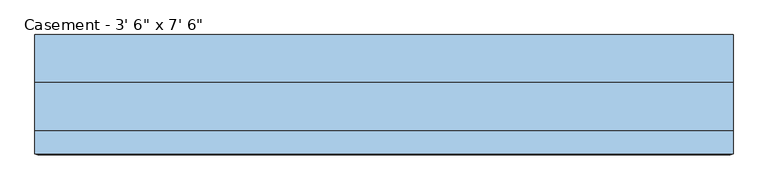
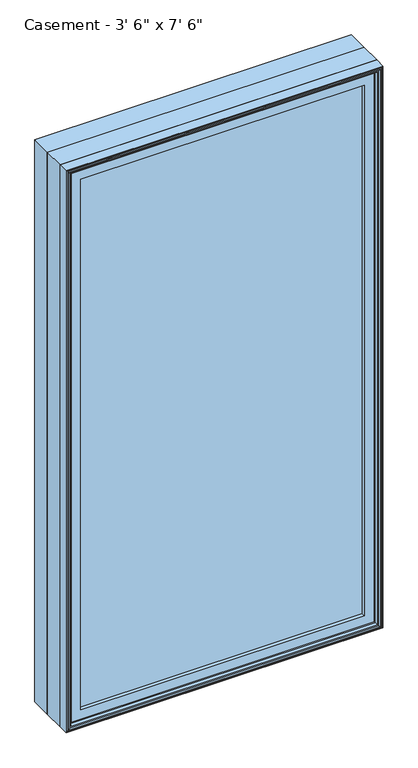
"""IFC4 building model written with IfcOpenShell, lengths in millimetres: window geometry."""

from ifc_helpers import new_model, si_unit, frame, origin, place, context, project, spatial, polyline, outline, extrude, faceted_brep, source, transform, mapped, element, save


def window_fd31e3d8(model_context):
    return source(origin(), model_context, "Body", "SolidModel", [
        extrude(outline(polyline([(557.609375, -74.0770729), (557.609375, -91.5395729), (-557.5849783, -91.5395729), (-557.5849783, -74.0770729), (557.609375, -74.0770729)])), frame((0.0, 0.0, 971.5119), z_axis=(0.0, 0.0, 1.0), x_axis=(1.0, 0.0, 0.0)), (0.0, 0.0, 1.0), 2171.7762),
        extrude(outline(polyline([(3200.4, -609.6), (914.4, -609.6), (914.4, 609.6), (3200.4, 609.6), (3200.4, -609.6)]), holes=[polyline([(930.275, -593.725), (3184.525, -593.725), (3184.525, 593.725), (930.275, 593.725), (930.275, -593.725)])]), frame((0.0, 6.1515625, 0.0), z_axis=(0.0, 1.0, 0.0), x_axis=(0.0, 0.0, 1.0)), (0.0, 0.0, 1.0), 82.7484375),
        faceted_brep([(-557.5849783, -74.0770729, 966.4150217), (-557.5849783, -74.0770729, 3148.3849783), (-557.5849783, -91.5395729, 3148.3849783), (-557.5849783, -91.5395729, 966.4150217), (-545.9015625, -72.8793953, 978.0984375), (-545.9015625, -72.8793953, 3136.7015625), (-545.9015625, -74.0770729, 3136.7015625), (-545.9015625, -74.0770729, 978.0984375), (-548.6498111, -59.9499024, 975.3501889), (-548.6498111, -59.9499024, 3139.4498111), (-576.6341084, -91.5395729, 947.3658916), (-576.6341084, -91.5395729, 3167.4341084), (-576.6341084, -59.9499024, 3167.4341084), (-576.6341084, -59.9499024, 947.3658916), (557.5849783, -74.0770729, 3148.3849783), (557.5849783, -91.5395729, 3148.3849783), (545.9015625, -72.8793953, 3136.7015625), (545.9015625, -74.0770729, 3136.7015625), (548.6498111, -59.9499024, 3139.4498111), (576.6341084, -91.5395729, 3167.4341084), (576.6341084, -59.9499024, 3167.4341084), (557.5849783, -74.0770729, 966.4150217), (557.5849783, -91.5395729, 966.4150217), (545.9015625, -72.8793953, 978.0984375), (545.9015625, -74.0770729, 978.0984375), (548.6498111, -59.9499024, 975.3501889), (576.6341084, -91.5395729, 947.3658916), (576.6341084, -59.9499024, 947.3658916)], [[[0, 1, 2, 3]], [[4, 5, 6, 7]], [[8, 9, 5, 4]], [[10, 11, 12, 13]], [[1, 14, 15, 2]], [[5, 16, 17, 6]], [[9, 18, 16, 5]], [[11, 19, 20, 12]], [[14, 21, 22, 15]], [[16, 23, 24, 17]], [[18, 25, 23, 16]], [[19, 26, 27, 20]], [[11, 10, 26, 19], [3, 2, 15, 22]], [[21, 0, 3, 22]], [[1, 0, 21, 14], [7, 6, 17, 24]], [[23, 4, 7, 24]], [[25, 8, 4, 23]], [[13, 12, 20, 27], [9, 8, 25, 18]], [[26, 10, 13, 27]]]),
        extrude(outline(polyline([(3173.5033048, -582.7033048), (941.2966952, -582.7033048), (941.2966952, 582.7033048), (3173.5033048, 582.7033048), (3173.5033048, -582.7033048)]), holes=[polyline([(978.0984375, -545.9015625), (3136.7015625, -545.9015625), (3136.7015625, 545.9015625), (978.0984375, 545.9015625), (978.0984375, -545.9015625)])]), frame((0.0, -106.9883505, 0.0), z_axis=(0.0, 1.0, 0.0), x_axis=(0.0, 0.0, 1.0)), (0.0, 0.0, 1.0), 15.4487776),
        faceted_brep([(-595.0220166, -119.2736375, 928.9779834), (-595.0220166, -119.2736375, 3185.8220166), (-600.355345, -120.8484375, 3191.155345), (-600.355345, -120.8484375, 923.644655), (-590.1526868, -104.4927591, 933.8473132), (-590.1526868, -104.4927591, 3180.9526868), (-590.1526868, -119.2736375, 3180.9526868), (-590.1526868, -119.2736375, 933.8473132), (-588.9244, -90.3195591, 935.0756), (-588.9244, -90.3195591, 3179.7244), (-588.9244, -79.171779, 935.0756), (-588.9244, -79.171779, 3179.7244), (-609.6, -119.6932773, 914.4), (-609.6, -119.6932773, 3200.4), (-609.6, -79.171779, 3200.4), (-609.6, -79.171779, 914.4), (-607.314, -111.1241649, 916.686), (-607.314, -111.1241649, 3198.114), (-607.314, -119.6932773, 3198.114), (-607.314, -119.6932773, 916.686), (-604.5962, -120.8484375, 919.4038), (-604.5962, -120.8484375, 3195.3962), (-604.5962, -111.1241649, 3195.3962), (-604.5962, -111.1241649, 919.4038), (595.0220166, -119.2736375, 3185.8220166), (600.355345, -120.8484375, 3191.155345), (590.1526868, -104.4927591, 3180.9526868), (590.1526868, -119.2736375, 3180.9526868), (588.9244, -90.3195591, 3179.7244), (588.9244, -79.171779, 3179.7244), (609.6, -119.6932773, 3200.4), (609.6, -79.171779, 3200.4), (607.314, -111.1241649, 3198.114), (607.314, -119.6932773, 3198.114), (604.5962, -120.8484375, 3195.3962), (604.5962, -111.1241649, 3195.3962), (595.0220166, -119.2736375, 928.9779834), (600.355345, -120.8484375, 923.644655), (590.1526868, -104.4927591, 933.8473132), (590.1526868, -119.2736375, 933.8473132), (588.9244, -90.3195591, 935.0756), (588.9244, -79.171779, 935.0756), (609.6, -119.6932773, 914.4), (609.6, -79.171779, 914.4), (607.314, -111.1241649, 916.686), (607.314, -119.6932773, 916.686), (604.5962, -120.8484375, 919.4038), (604.5962, -111.1241649, 919.4038)], [[[0, 1, 2, 3]], [[4, 5, 6, 7]], [[8, 9, 5, 4]], [[10, 11, 9, 8]], [[12, 13, 14, 15]], [[16, 17, 18, 19]], [[20, 21, 22, 23]], [[1, 24, 25, 2]], [[5, 26, 27, 6]], [[9, 28, 26, 5]], [[11, 29, 28, 9]], [[13, 30, 31, 14]], [[17, 32, 33, 18]], [[21, 34, 35, 22]], [[24, 36, 37, 25]], [[26, 38, 39, 27]], [[28, 40, 38, 26]], [[29, 41, 40, 28]], [[30, 42, 43, 31]], [[32, 44, 45, 33]], [[34, 46, 47, 35]], [[36, 0, 3, 37]], [[1, 0, 36, 24], [7, 6, 27, 39]], [[38, 4, 7, 39]], [[40, 8, 4, 38]], [[41, 10, 8, 40]], [[15, 14, 31, 43], [11, 10, 41, 29]], [[42, 12, 15, 43]], [[13, 12, 42, 30], [19, 18, 33, 45]], [[44, 16, 19, 45]], [[17, 16, 44, 32], [23, 22, 35, 47]], [[46, 20, 23, 47]], [[21, 20, 46, 34], [3, 2, 25, 37]]]),
        faceted_brep([(-609.6, -79.171779, 914.4), (-609.6, -79.171779, 3200.4), (-609.6, 6.1515625, 3200.4), (-609.6, 6.1515625, 914.4), (-589.9404, -66.7563278, 934.0596), (-589.9404, -66.7563278, 3180.7404), (-589.9404, -79.171779, 3180.7404), (-589.9404, -79.171779, 934.0596), (-583.4634, -59.7093984, 940.5366), (-583.4634, -59.7093984, 3174.2634), (-583.4634, -66.7563278, 3174.2634), (-583.4634, -66.7563278, 940.5366), (-561.975, -39.9279649, 962.025), (-561.975, -39.9279649, 3152.775), (-561.975, -59.7093984, 3152.775), (-561.975, -59.7093984, 962.025), (-565.9374, -10.9227338, 958.0626), (-565.9374, -10.9227338, 3156.7374), (-565.9374, -39.9279649, 3156.7374), (-565.9374, -39.9279649, 958.0626), (609.6, -79.171779, 3200.4), (609.6, 6.1515625, 3200.4), (589.9404, -66.7563278, 3180.7404), (589.9404, -79.171779, 3180.7404), (583.4634, -59.7093984, 3174.2634), (583.4634, -66.7563278, 3174.2634), (561.975, -39.9279649, 3152.775), (561.975, -59.7093984, 3152.775), (565.9374, -10.9227338, 3156.7374), (565.9374, -39.9279649, 3156.7374), (609.6, -79.171779, 914.4), (609.6, 6.1515625, 914.4), (589.9404, -66.7563278, 934.0596), (589.9404, -79.171779, 934.0596), (583.4634, -59.7093984, 940.5366), (583.4634, -66.7563278, 940.5366), (561.975, -39.9279649, 962.025), (561.975, -59.7093984, 962.025), (565.9374, -10.9227338, 958.0626), (565.9374, -39.9279649, 958.0626), (-587.3761112, 6.1515625, 3178.1761112), (-587.3761112, 6.1515625, 936.6238888), (587.3761112, 6.1515625, 936.6238888), (587.3761112, 6.1515625, 3178.1761112), (-587.3761112, -10.9227338, 936.6238888), (-587.3761112, -10.9227338, 3178.1761112), (587.3761112, -10.9227338, 3178.1761112), (587.3761112, -10.9227338, 936.6238888)], [[[0, 1, 2, 3]], [[4, 5, 6, 7]], [[8, 9, 10, 11]], [[12, 13, 14, 15]], [[16, 17, 18, 19]], [[1, 20, 21, 2]], [[5, 22, 23, 6]], [[9, 24, 25, 10]], [[13, 26, 27, 14]], [[17, 28, 29, 18]], [[20, 30, 31, 21]], [[22, 32, 33, 23]], [[24, 34, 35, 25]], [[26, 36, 37, 27]], [[28, 38, 39, 29]], [[3, 2, 21, 31], [40, 41, 42, 43]], [[30, 0, 3, 31]], [[1, 0, 30, 20], [7, 6, 23, 33]], [[32, 4, 7, 33]], [[5, 4, 32, 22], [11, 10, 25, 35]], [[34, 8, 11, 35]], [[9, 8, 34, 24], [15, 14, 27, 37]], [[36, 12, 15, 37]], [[19, 18, 29, 39], [13, 12, 36, 26]], [[38, 16, 19, 39]], [[44, 45, 46, 47], [17, 16, 38, 28]], [[41, 40, 45, 44]], [[40, 43, 46, 45]], [[43, 42, 47, 46]], [[42, 41, 44, 47]]]),
    ])


if __name__ == "__main__":
    model = new_model("IFC4")
    model_context = context("Model", 3, world=origin())
    ifc_project = project(units=[si_unit("LENGTHUNIT", "METRE", prefix="MILLI")], contexts=[model_context])
    site = spatial("IfcSite", under=ifc_project)
    building = spatial("IfcBuilding", under=site)
    placement = place(None, origin())
    window_shape = window_fd31e3d8(model_context)
    element("IfcWindow", 1, ObjectType="Casement - 3' 6\" x 7' 6\"", at=placement, inside=building, context=model_context, shape_type="MappedRepresentation", body=[
        mapped(window_shape, transform((0.0, 0.0, 0.0), x_axis=(1.0, 0.0, 0.0), y_axis=(0.0, 1.0, 0.0), z_axis=(0.0, 0.0, 1.0))),
    ])
    save(model, "model.ifc")
